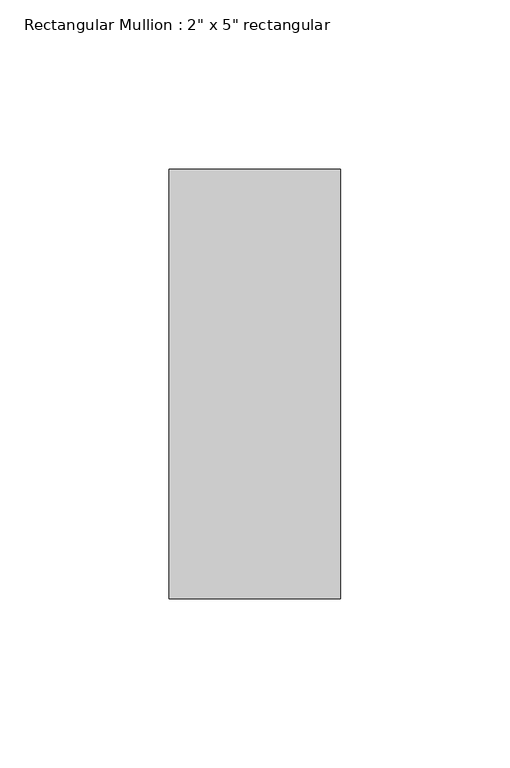
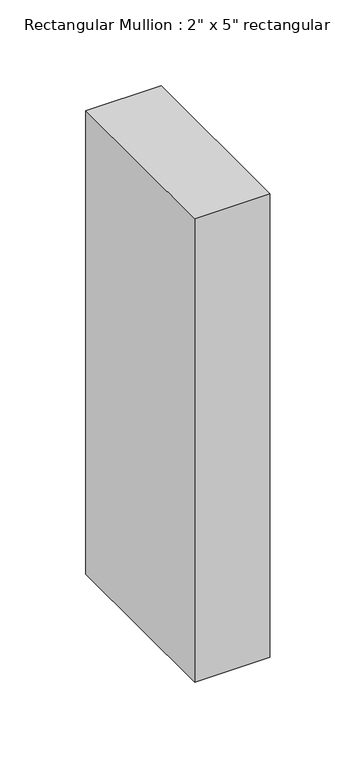
"""IFC4 building model written with IfcOpenShell, lengths in millimetres: member geometry."""

from ifc_helpers import new_model, si_unit, frame, origin, place, context, project, spatial, polyline, outline, extrude, source, transform, mapped, element, save


def member_6d8d4039(model_context):
    return source(origin(), model_context, "Body", "SweptSolid", [
        extrude(outline(polyline([(25.4, 63.5), (25.4, -63.5), (-25.4, -63.5), (-25.4, 63.5), (25.4, 63.5)])), frame((0.0, 0.0, -330.2), z_axis=(0.0, 0.0, 1.0), x_axis=(1.0, 0.0, 0.0)), (0.0, 0.0, 1.0), 330.2),
    ])


if __name__ == "__main__":
    model = new_model("IFC4")
    model_context = context("Model", 3, world=origin())
    ifc_project = project(units=[si_unit("LENGTHUNIT", "METRE", prefix="MILLI")], contexts=[model_context])
    site = spatial("IfcSite", under=ifc_project)
    building = spatial("IfcBuilding", under=site)
    placement = place(None, origin())
    member_shape = member_6d8d4039(model_context)
    element("IfcMember", 1, ObjectType="Rectangular Mullion : 2\" x 5\" rectangular", at=placement, inside=building, context=model_context, shape_type="MappedRepresentation", body=[
        mapped(member_shape, transform((0.0, 0.0, 0.0), x_axis=(1.0, 0.0, 0.0), y_axis=(0.0, 1.0, 0.0), z_axis=(0.0, 0.0, 1.0))),
    ])
    save(model, "model.ifc")
